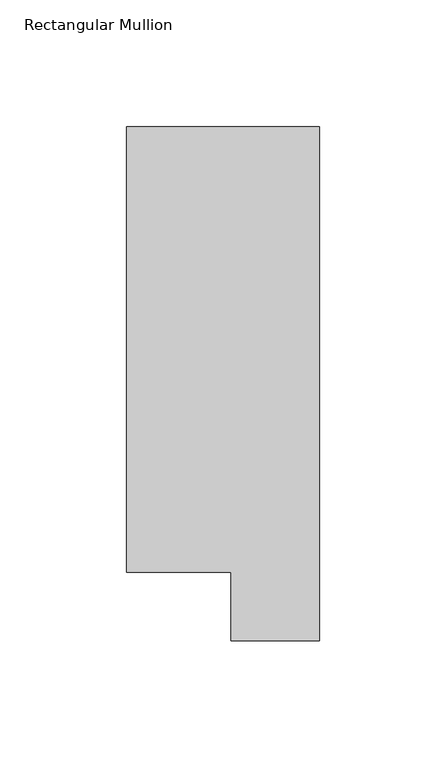
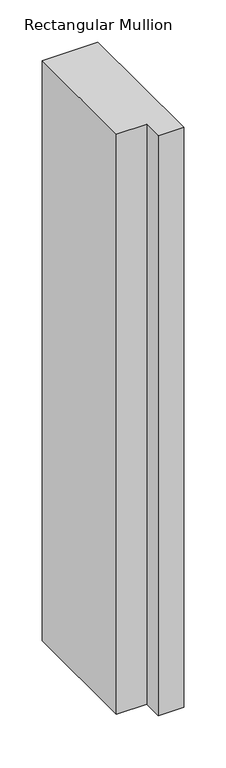
"""IFC4 building model written with IfcOpenShell, lengths in millimetres: member geometry, Rectangular Mullion."""

from ifc_helpers import new_model, si_unit, frame, origin, place, context, project, spatial, polyline, outline, extrude, source, transform, mapped, element, save


def rectangular_mullion_36b1a7e2(model_context):
    return source(origin(), model_context, "Body", "SweptSolid", [
        extrude(outline(polyline([(0.0, 222.5381312), (0.0, 19.5667312), (-34.9123, 19.5667312), (-34.9123, 46.7447302), (-76.2, 46.7447302), (-76.2, 222.5381312), (0.0, 222.5381312)])), frame((0.0, 0.0, -838.2), z_axis=(0.0, 0.0, 1.0), x_axis=(1.0, 0.0, 0.0)), (0.0, 0.0, 1.0), 838.2),
    ])


if __name__ == "__main__":
    model = new_model("IFC4")
    model_context = context("Model", 3, world=origin())
    ifc_project = project(units=[si_unit("LENGTHUNIT", "METRE", prefix="MILLI")], contexts=[model_context])
    site = spatial("IfcSite", under=ifc_project)
    building = spatial("IfcBuilding", under=site)
    placement = place(None, origin())
    rectangular_mullion_shape = rectangular_mullion_36b1a7e2(model_context)
    element("IfcMember", 1, ObjectType="Rectangular Mullion", at=placement, inside=building, context=model_context, shape_type="MappedRepresentation", body=[
        mapped(rectangular_mullion_shape, transform((0.0, 0.0, 0.0), x_axis=(1.0, 0.0, 0.0), y_axis=(0.0, 1.0, 0.0), z_axis=(0.0, 0.0, 1.0))),
    ])
    save(model, "model.ifc")
